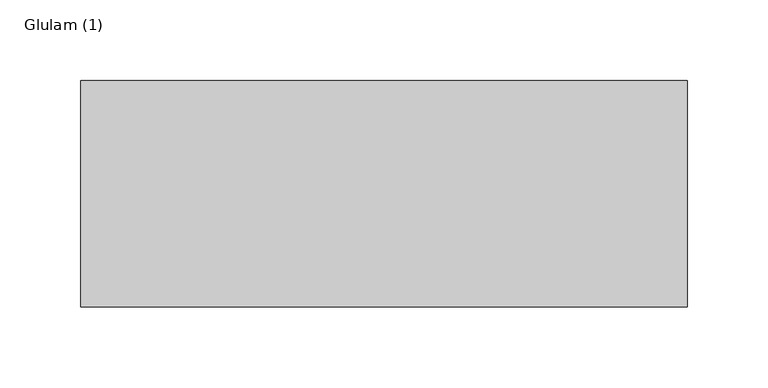
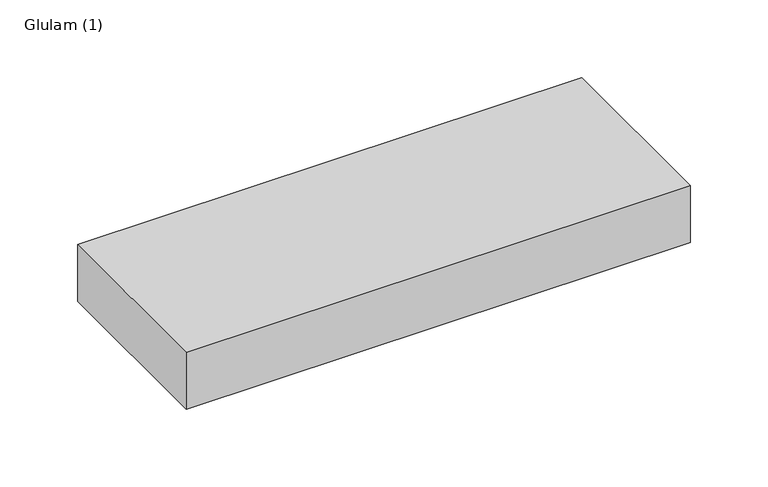
"""IFC4 building model written with IfcOpenShell, lengths in millimetres: beam geometry, Glulam (1)."""

import ifcopenshell
import ifcopenshell.guid

model = None  # the IFC model being written
_history = None  # IfcOwnerHistory: only IFC2X3 demands one
_inside = {}  # id of a spatial element -> (the spatial element, [elements in it])
_under = {}  # id of a project, library or spatial element -> (it, [spatial elements below it])
_declared = {}  # id of a project -> (the project, [libraries it declares])
_typed = {}  # id of a type object -> (the type object, [elements of that type])
_made_of = {}  # id of a material, layer set ... -> (it, [elements and type objects made of it])


def new_model(schema):
    """Start an empty IFC model of exactly this schema.

    Asked for "IFC4X3", IfcOpenShell would pick the latest addendum, in which some entities
    have other attributes; the version numbers below select the first issue.
    IFC2X3 requires an IfcOwnerHistory on every rooted entity: one is made here for all.
    """
    global model, _history
    if schema == "IFC4X3":
        model = ifcopenshell.file(schema_version=(4, 3, 0, 0))
    else:
        model = ifcopenshell.file(schema=schema)
    _inside.clear()
    _under.clear()
    _declared.clear()
    _typed.clear()
    _made_of.clear()
    _history = None
    if model.schema == "IFC2X3":
        org = make("IfcOrganization", Name="unknown")
        user = make(
            "IfcPersonAndOrganization",
            ThePerson=make("IfcPerson", FamilyName="unknown"),
            TheOrganization=org,
        )
        app = make(
            "IfcApplication",
            ApplicationDeveloper=org,
            Version="unknown",
            ApplicationFullName="unknown",
            ApplicationIdentifier="unknown",
        )
        _history = make(
            "IfcOwnerHistory",
            OwningUser=user,
            OwningApplication=app,
            ChangeAction="ADDED",
            CreationDate=0,
        )
    return model


def make(cls, **values):
    """One entity of the class cls with the attributes given. An attribute that is None is left unset."""
    return model.create_entity(
        cls, **{name: value for name, value in values.items() if value is not None}
    )


def rooted(cls, **values):
    """An entity with a GlobalId (a new one), such as an element, a storey or a relation."""
    return make(cls, GlobalId=ifcopenshell.guid.new(), OwnerHistory=_history, **values)


def si_unit(unit_type, name, prefix=None):
    """IfcSIUnit, for example si_unit("LENGTHUNIT", "METRE", prefix="MILLI")."""
    return make("IfcSIUnit", UnitType=unit_type, Prefix=prefix, Name=name)


def assignment(units):
    """IfcUnitAssignment: the units of a project."""
    return None if units is None else make("IfcUnitAssignment", Units=units)


def point(xyz):
    """IfcCartesianPoint."""
    return None if xyz is None else make("IfcCartesianPoint", Coordinates=xyz)


def direction(xyz):
    """IfcDirection."""
    return None if xyz is None else make("IfcDirection", DirectionRatios=xyz)


def frame(location, z_axis=None, x_axis=None):
    """IfcAxis2Placement3D, a coordinate frame: its origin and axes. An axis left out is left unset."""
    return make(
        "IfcAxis2Placement3D",
        Location=point(location),
        Axis=direction(z_axis),
        RefDirection=direction(x_axis),
    )


def origin():
    """The frame at (0, 0, 0) with its axes left unset."""
    return frame((0.0, 0.0, 0.0))


def place(relative_to, where):
    """IfcLocalPlacement: puts the frame where relative to a parent placement (None: the world)."""
    return make(
        "IfcLocalPlacement", PlacementRelTo=relative_to, RelativePlacement=where
    )


def context(
    kind, dimensions, precision=None, world=None, true_north=None, identifier=None
):
    """IfcGeometricRepresentationContext, for example the 3D "Model" context."""
    return make(
        "IfcGeometricRepresentationContext",
        ContextIdentifier=identifier,
        ContextType=kind,
        CoordinateSpaceDimension=dimensions,
        Precision=precision,
        WorldCoordinateSystem=world,
        TrueNorth=true_north,
    )


def project(units=None, contexts=None):
    """IfcProject with its units and contexts."""
    return rooted(
        "IfcProject",
        Name="project",
        RepresentationContexts=contexts,
        UnitsInContext=assignment(units),
    )


def spatial(cls, under=None, at=None, **own):
    """A site, building, storey or space (cls), placed at a placement, below another one or the project."""
    s = rooted(cls, ObjectPlacement=at, **own)
    if under is not None:
        _under.setdefault(under.id(), (under, []))[1].append(s)
    return s


def polyline(points):
    """IfcPolyline through the points."""
    return make("IfcPolyline", Points=[point(p) for p in points])


def outline(outer, holes=None, kind="AREA"):
    """IfcArbitraryClosedProfileDef: a profile drawn as a closed curve; with holes, ...WithVoids."""
    if holes is None:
        return make("IfcArbitraryClosedProfileDef", ProfileType=kind, OuterCurve=outer)
    return make(
        "IfcArbitraryProfileDefWithVoids",
        ProfileType=kind,
        OuterCurve=outer,
        InnerCurves=holes,
    )


def extrude(swept, where, along, depth):
    """IfcExtrudedAreaSolid: the profile swept, set in the frame where, extruded along a direction by depth."""
    return make(
        "IfcExtrudedAreaSolid",
        SweptArea=swept,
        Position=where,
        ExtrudedDirection=direction(along),
        Depth=depth,
    )


def shape(context_of_items, identifier, shape_type, items):
    """IfcShapeRepresentation: the items that make up one representation, for example the "Body"."""
    return make(
        "IfcShapeRepresentation",
        ContextOfItems=context_of_items,
        RepresentationIdentifier=identifier,
        RepresentationType=shape_type,
        Items=items,
    )


def source(mapping_origin, context_of_items, identifier, shape_type, items):
    """IfcRepresentationMap: a shape defined once, which mapped items show again and again."""
    return make(
        "IfcRepresentationMap",
        MappingOrigin=mapping_origin,
        MappedRepresentation=shape(context_of_items, identifier, shape_type, items),
    )


def transform(
    local_origin,
    x_axis=None,
    y_axis=None,
    z_axis=None,
    scale=None,
    scale2=None,
    scale3=None,
    uniform=True,
):
    """IfcCartesianTransformationOperator3D, or its non-uniform kind. x_axis, y_axis, z_axis: its Axis1, 2, 3."""
    if uniform:
        return make(
            "IfcCartesianTransformationOperator3D",
            Axis1=direction(x_axis),
            Axis2=direction(y_axis),
            LocalOrigin=point(local_origin),
            Scale=scale,
            Axis3=direction(z_axis),
        )
    return make(
        "IfcCartesianTransformationOperator3DnonUniform",
        Axis1=direction(x_axis),
        Axis2=direction(y_axis),
        LocalOrigin=point(local_origin),
        Scale=scale,
        Axis3=direction(z_axis),
        Scale2=scale2,
        Scale3=scale3,
    )


def mapped(mapping_source, mapping_target):
    """IfcMappedItem: shows the shape of a source again, moved by a transform."""
    return make(
        "IfcMappedItem", MappingSource=mapping_source, MappingTarget=mapping_target
    )


def made_of(thing, what):
    """Note that an element or type object is made of a material, layer set ...; save() writes the relation."""
    if what is not None:
        _made_of.setdefault(what.id(), (what, []))[1].append(thing)
    return thing


def element(
    cls,
    number,
    at=None,
    inside=None,
    cuts=None,
    type_object=None,
    material=None,
    context=None,
    identifier="Body",
    shape_type=None,
    held_by="IfcProductDefinitionShape",
    body=None,
    shapes=None,
    **own,
):
    """One element of the class cls, such as IfcWall. Its Tag is "e" and its number.

    at: its placement. inside: the storey or other place that contains it. cuts: it is an
    opening in that element (IfcRelVoidsElement). A single representation is given by context,
    identifier, shape_type and body (its items); several are given by shapes. held_by: the class
    of the entity that holds the representations. save() writes the other relations.
    """
    e = rooted(cls, Tag="e%d" % number, ObjectPlacement=at, **own)
    if body is not None:
        shapes = [shape(context, identifier, shape_type, body)]
    if shapes is not None:
        e.Representation = make(held_by, Representations=shapes)
    if inside is not None:
        _inside.setdefault(inside.id(), (inside, []))[1].append(e)
    if cuts is not None:
        rooted(
            "IfcRelVoidsElement", RelatingBuildingElement=cuts, RelatedOpeningElement=e
        )
    if type_object is not None:
        _typed.setdefault(type_object.id(), (type_object, []))[1].append(e)
    return made_of(e, material)


def aggregate(whole, parts):
    """IfcRelAggregates: a whole, such as a stair, and the parts it consists of."""
    return rooted("IfcRelAggregates", RelatingObject=whole, RelatedObjects=parts)


def save(model, path):
    """Write the relations noted so far, then the file.

    IfcRelAggregates (storeys below a building ...), IfcRelContainedInSpatialStructure (elements
    in a storey), IfcRelDefinesByType, IfcRelAssociatesMaterial and IfcRelDeclares: one each for
    every whole, place, type object, material and project.
    """
    for whole, parts in _under.values():
        aggregate(whole, parts)
    for where, things in _inside.values():
        rooted(
            "IfcRelContainedInSpatialStructure",
            RelatedElements=things,
            RelatingStructure=where,
        )
    for kind, things in _typed.values():
        rooted("IfcRelDefinesByType", RelatedObjects=things, RelatingType=kind)
    for what, things in _made_of.values():
        rooted("IfcRelAssociatesMaterial", RelatedObjects=things, RelatingMaterial=what)
    for by, libraries in _declared.values():
        rooted("IfcRelDeclares", RelatingContext=by, RelatedDefinitions=libraries)
    model.write(path)


def glulam_1_95caba48(model_context):
    return source(origin(), model_context, "Body", "SweptSolid", [
        extrude(outline(polyline([(149.0, 70.0), (149.0, -70.0), (-226.0, -70.0), (-226.0, 70.0), (149.0, 70.0)])), frame((0.0, 0.0, -22.5), z_axis=(0.0, 0.0, 1.0), x_axis=(1.0, 0.0, 0.0)), (0.0, 0.0, 1.0), 45.0),
    ])


if __name__ == "__main__":
    model = new_model("IFC4")
    model_context = context("Model", 3, world=origin())
    ifc_project = project(units=[si_unit("LENGTHUNIT", "METRE", prefix="MILLI")], contexts=[model_context])
    site = spatial("IfcSite", under=ifc_project)
    building = spatial("IfcBuilding", under=site)
    placement = place(None, origin())
    glulam_1_shape = glulam_1_95caba48(model_context)
    element("IfcBeam", 1, ObjectType="Glulam (1)", at=placement, inside=building, context=model_context, shape_type="MappedRepresentation", body=[
        mapped(glulam_1_shape, transform((0.0, 0.0, 0.0), x_axis=(1.0, 0.0, 0.0), y_axis=(0.0, 1.0, 0.0), z_axis=(0.0, 0.0, 1.0))),
    ])
    save(model, "model.ifc")
